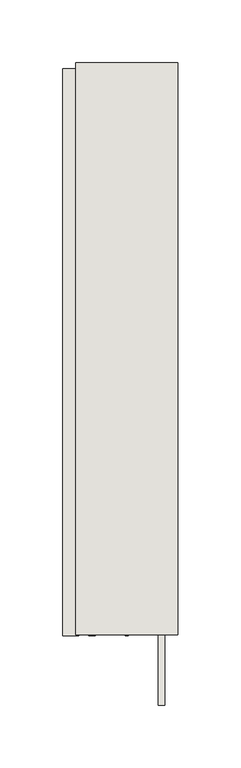
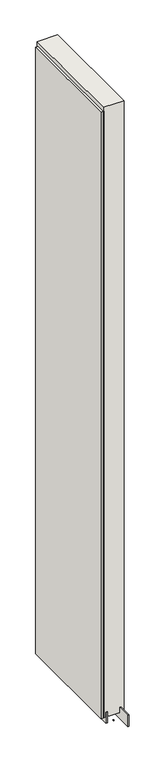
"""IFC4 building model written with IfcOpenShell, lengths in millimetres: wall geometry."""

from ifc_helpers import new_model, si_unit, frame, origin, place, context, project, spatial, polyline, outline, extrude, source, transform, mapped, element, save


def wall_f963b552(model_context):
    return source(origin(), model_context, "Body", "SweptSolid", [
        extrude(outline(polyline([(81688.342211, -47666.571418), (81688.342211, -47664.031418), (81690.882211, -47664.031418), (81690.882211, -47666.571418), (81688.342211, -47666.571418)])), frame((0.0, 0.0, 4419.6), z_axis=(0.0, 0.0, 1.0), x_axis=(1.0, 0.0, 0.0)), (0.0, 0.0, 1.0), 2.54),
        extrude(outline(polyline([(81638.812211, -47667.0381684), (81638.812211, -47216.2679244), (81651.512211, -47216.2679244), (81651.512211, -47667.0381684), (81638.812211, -47667.0381684)])), frame((0.0, 0.0, 4445.0), z_axis=(0.0, 0.0, 1.0), x_axis=(1.0, 0.0, 0.0)), (0.0, 0.0, 1.0), 2545.0498756),
        extrude(outline(polyline([(81714.6959556, -47721.874711), (81714.6959556, -47211.7942224), (81719.774711, -47211.7942224), (81719.774711, -47721.874711), (81714.6959556, -47721.874711)])), frame((0.0, 0.0, 4418.6602), z_axis=(0.0, 0.0, 1.0), x_axis=(1.0, 0.0, 0.0)), (0.0, 0.0, 1.0), 47.625),
        extrude(outline(polyline([(81714.6959556, -47721.874711), (81714.6959556, -47211.7942224), (81719.774711, -47211.7942224), (81719.774711, -47721.874711), (81714.6959556, -47721.874711)])), frame((0.0, 0.0, 4418.6602), z_axis=(0.0, 0.0, 1.0), x_axis=(1.0, 0.0, 0.0)), (0.0, 0.0, 1.0), 47.625),
        extrude(outline(polyline([(81664.5284664, -47211.7942224), (81664.5284664, -47666.5788602), (81659.449711, -47666.5788602), (81659.449711, -47211.7942224), (81664.5284664, -47211.7942224)])), frame((0.0, 0.0, 4418.6602), z_axis=(0.0, 0.0, 1.0), x_axis=(1.0, 0.0, 0.0)), (0.0, 0.0, 1.0), 47.625),
        extrude(outline(polyline([(81664.5284664, -47211.7942224), (81664.5284664, -47666.5788602), (81659.449711, -47666.5788602), (81659.449711, -47211.7942224), (81664.5284664, -47211.7942224)])), frame((0.0, 0.0, 4418.6602), z_axis=(0.0, 0.0, 1.0), x_axis=(1.0, 0.0, 0.0)), (0.0, 0.0, 1.0), 47.625),
        extrude(outline(polyline([(81730.2670954, -47666.5788602), (81648.9573266, -47666.5788602), (81648.9573266, -47211.7942224), (81730.2670954, -47211.7942224), (81730.2670954, -47666.5788602)])), frame((0.0, 0.0, 4445.0), z_axis=(0.0, 0.0, 1.0), x_axis=(1.0, 0.0, 0.0)), (0.0, 0.0, 1.0), 2562.4536762),
    ])


if __name__ == "__main__":
    model = new_model("IFC4")
    model_context = context("Model", 3, world=origin())
    ifc_project = project(units=[si_unit("LENGTHUNIT", "METRE", prefix="MILLI")], contexts=[model_context])
    site = spatial("IfcSite", under=ifc_project)
    building = spatial("IfcBuilding", under=site)
    placement = place(None, origin())
    wall_shape = wall_f963b552(model_context)
    element("IfcWall", 1, at=placement, inside=building, context=model_context, shape_type="MappedRepresentation", body=[
        mapped(wall_shape, transform((0.0, 0.0, 0.0), x_axis=(1.0, 0.0, 0.0), y_axis=(0.0, 1.0, 0.0), z_axis=(0.0, 0.0, 1.0))),
    ])
    save(model, "model.ifc")
